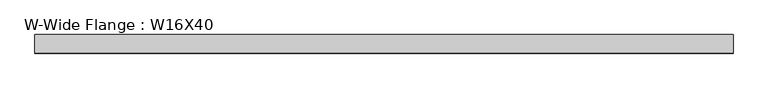
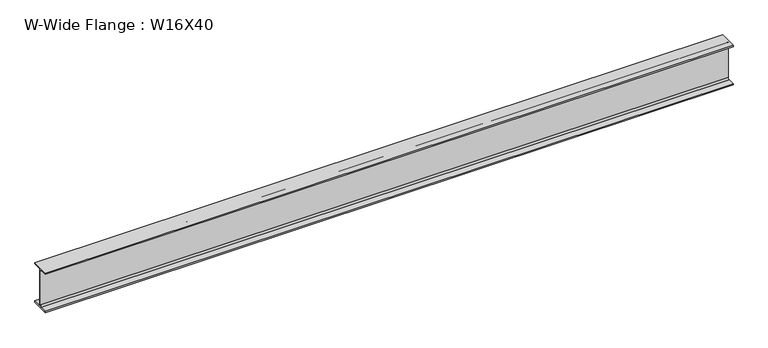
"""IFC4 building model written with IfcOpenShell, lengths in millimetres: beam geometry, W-Wide Flange : W16X40."""

from ifc_helpers import new_model, si_unit, point, frame, frame_2d, origin, place, context, project, spatial, polyline, circle_curve, trimmed, segment, composite_curve, outline, extrude, source, transform, mapped, element, save


def w_wide_flange_w16x40_3b6fbdfd(model_context):
    return source(origin(), model_context, "Body", "SweptSolid", [
        extrude(outline(composite_curve([segment(polyline([(88.9, -190.4), (88.9, -203.2), (-88.9, -203.2), (-88.9, -190.4), (-21.25, -190.4)]), True, "CONTINUOUS"), segment(trimmed(circle_curve(frame_2d((-21.25, -173.0)), 17.4), [point((-21.25, -190.4))], [point((-3.85, -173.0))], True, "CARTESIAN"), True, "CONTINUOUS"), segment(polyline([(-3.85, -173.0), (-3.85, 173.0)]), True, "CONTINUOUS"), segment(trimmed(circle_curve(frame_2d((-21.25, 173.0)), 17.4), [point((-3.85, 173.0))], [point((-21.25, 190.4))], True, "CARTESIAN"), True, "CONTINUOUS"), segment(polyline([(-21.25, 190.4), (-88.9, 190.4), (-88.9, 203.2), (88.9, 203.2), (88.9, 190.4), (21.25, 190.4)]), True, "CONTINUOUS"), segment(trimmed(circle_curve(frame_2d((21.25, 173.0)), 17.4), [point((21.25, 190.4))], [point((3.85, 173.0))], True, "CARTESIAN"), True, "CONTINUOUS"), segment(polyline([(3.85, 173.0), (3.85, -173.0)]), True, "CONTINUOUS"), segment(trimmed(circle_curve(frame_2d((21.25, -173.0)), 17.4), [point((3.85, -173.0))], [point((21.25, -190.4))], True, "CARTESIAN"), True, "CONTINUOUS"), segment(polyline([(21.25, -190.4), (88.9, -190.4)]), True, "CONTINUOUS")], self_intersect=False)), frame((-3342.2138376, 0.0, 0.0), z_axis=(1.0, 0.0, 0.0), x_axis=(0.0, 1.0, 0.0)), (0.0, 0.0, 1.0), 6679.0889867),
    ])


if __name__ == "__main__":
    model = new_model("IFC4")
    model_context = context("Model", 3, world=origin())
    ifc_project = project(units=[si_unit("LENGTHUNIT", "METRE", prefix="MILLI")], contexts=[model_context])
    site = spatial("IfcSite", under=ifc_project)
    building = spatial("IfcBuilding", under=site)
    placement = place(None, origin())
    w_wide_flange_w16x40_shape = w_wide_flange_w16x40_3b6fbdfd(model_context)
    element("IfcBeam", 1, ObjectType="W-Wide Flange : W16X40", at=placement, inside=building, context=model_context, shape_type="MappedRepresentation", body=[
        mapped(w_wide_flange_w16x40_shape, transform((0.0, 0.0, 0.0), x_axis=(1.0, 0.0, 0.0), y_axis=(0.0, 1.0, 0.0), z_axis=(0.0, 0.0, 1.0))),
    ])
    save(model, "model.ifc")
